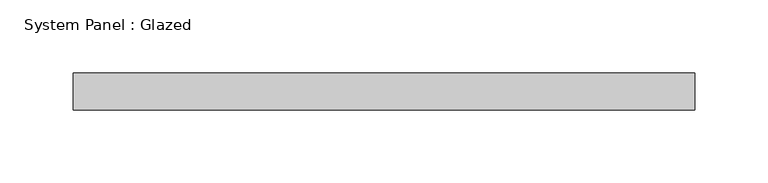
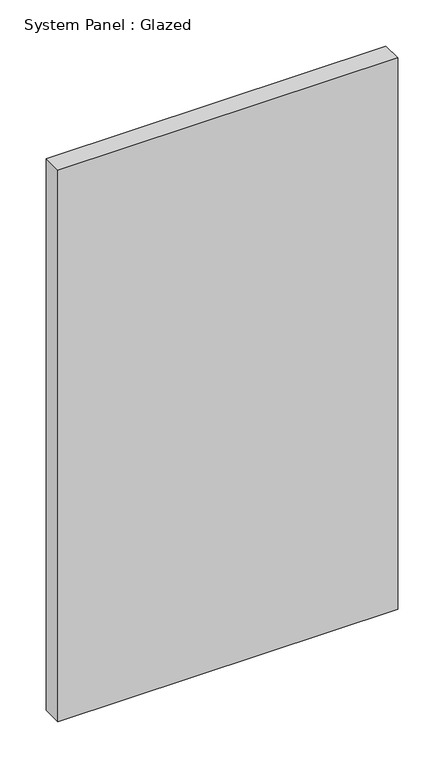
"""IFC4 building model written with IfcOpenShell, lengths in millimetres: plate geometry, System Panel : Glazed."""

from ifc_helpers import new_model, si_unit, origin, origin_with_axes, place, context, project, spatial, polyline, outline, extrude, source, transform, mapped, element, save


def system_panel_glazed_9a5f9055(model_context):
    return source(origin(), model_context, "Body", "SweptSolid", [
        extrude(outline(polyline([(212.725, -12.7), (-212.725, -12.7), (-212.725, 12.7), (212.725, 12.7), (212.725, -12.7)])), origin_with_axes(), (0.0, 0.0, 1.0), 730.25),
    ])


if __name__ == "__main__":
    model = new_model("IFC4")
    model_context = context("Model", 3, world=origin())
    ifc_project = project(units=[si_unit("LENGTHUNIT", "METRE", prefix="MILLI")], contexts=[model_context])
    site = spatial("IfcSite", under=ifc_project)
    building = spatial("IfcBuilding", under=site)
    placement = place(None, origin())
    system_panel_glazed_shape = system_panel_glazed_9a5f9055(model_context)
    element("IfcPlate", 1, ObjectType="System Panel : Glazed", at=placement, inside=building, context=model_context, shape_type="MappedRepresentation", body=[
        mapped(system_panel_glazed_shape, transform((0.0, 0.0, 0.0), x_axis=(1.0, 0.0, 0.0), y_axis=(0.0, 1.0, 0.0), z_axis=(0.0, 0.0, 1.0))),
    ])
    save(model, "model.ifc")
